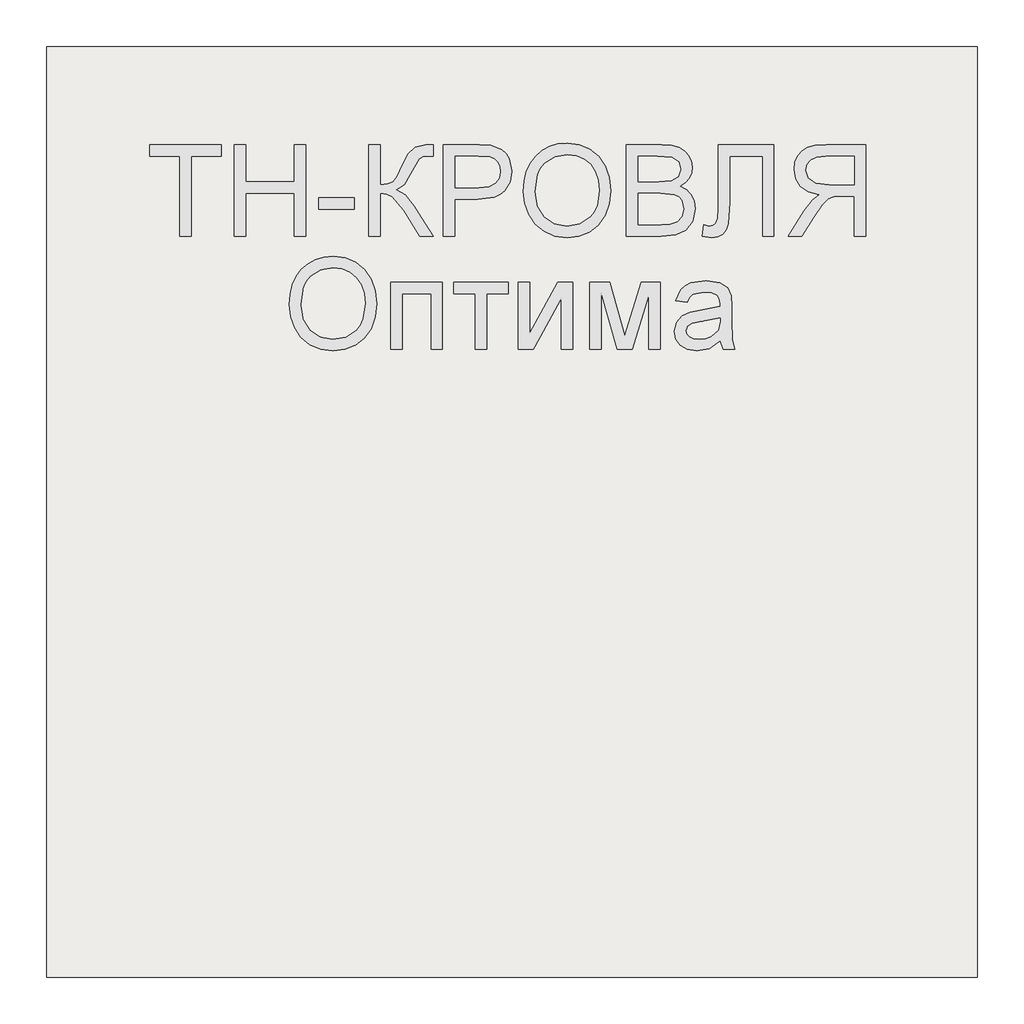
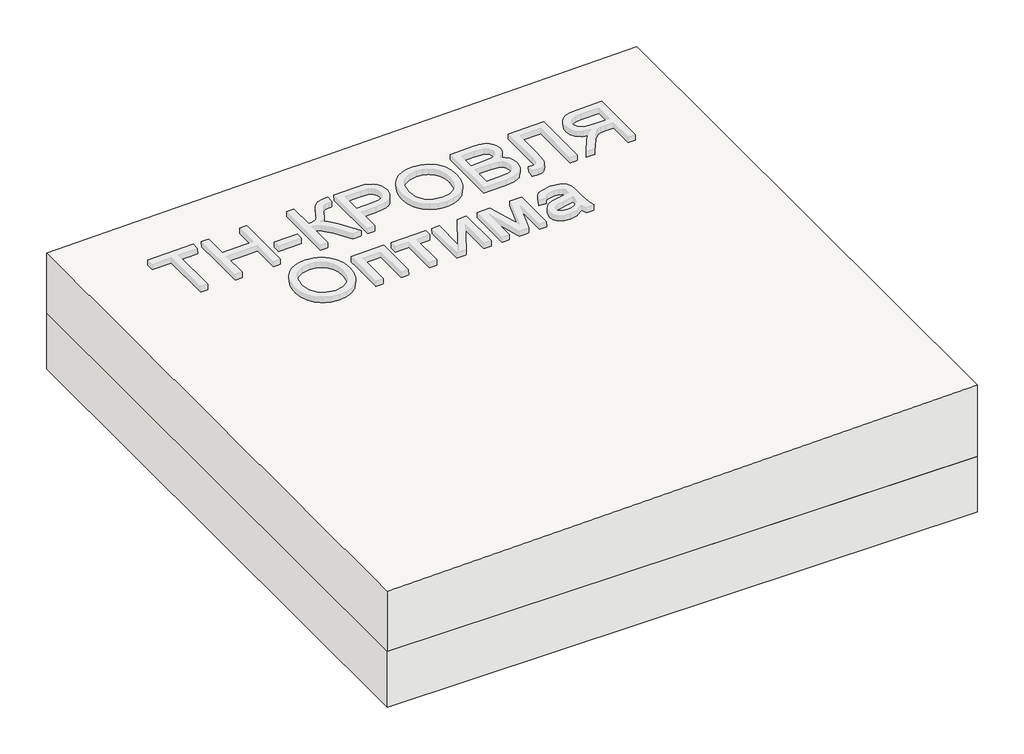
# One storey, part 1 of 3: 1 roof, 1 slab.
"""IFC4 building model written with IfcOpenShell, lengths in millimetres."""

import ifcopenshell
import ifcopenshell.guid

model = None  # the IFC model being written
_history = None  # IfcOwnerHistory: only IFC2X3 demands one
_inside = {}  # id of a spatial element -> (the spatial element, [elements in it])
_under = {}  # id of a project, library or spatial element -> (it, [spatial elements below it])
_declared = {}  # id of a project -> (the project, [libraries it declares])
_typed = {}  # id of a type object -> (the type object, [elements of that type])
_made_of = {}  # id of a material, layer set ... -> (it, [elements and type objects made of it])


def new_model(schema):
    """Start an empty IFC model of exactly this schema.

    Asked for "IFC4X3", IfcOpenShell would pick the latest addendum, in which some entities
    have other attributes; the version numbers below select the first issue.
    IFC2X3 requires an IfcOwnerHistory on every rooted entity: one is made here for all.
    """
    global model, _history
    if schema == "IFC4X3":
        model = ifcopenshell.file(schema_version=(4, 3, 0, 0))
    else:
        model = ifcopenshell.file(schema=schema)
    _inside.clear()
    _under.clear()
    _declared.clear()
    _typed.clear()
    _made_of.clear()
    _history = None
    if model.schema == "IFC2X3":
        org = make("IfcOrganization", Name="unknown")
        user = make(
            "IfcPersonAndOrganization",
            ThePerson=make("IfcPerson", FamilyName="unknown"),
            TheOrganization=org,
        )
        app = make(
            "IfcApplication",
            ApplicationDeveloper=org,
            Version="unknown",
            ApplicationFullName="unknown",
            ApplicationIdentifier="unknown",
        )
        _history = make(
            "IfcOwnerHistory",
            OwningUser=user,
            OwningApplication=app,
            ChangeAction="ADDED",
            CreationDate=0,
        )
    return model


def make(cls, **values):
    """One entity of the class cls with the attributes given. An attribute that is None is left unset."""
    return model.create_entity(
        cls, **{name: value for name, value in values.items() if value is not None}
    )


def rooted(cls, **values):
    """An entity with a GlobalId (a new one), such as an element, a storey or a relation."""
    return make(cls, GlobalId=ifcopenshell.guid.new(), OwnerHistory=_history, **values)


def si_unit(unit_type, name, prefix=None):
    """IfcSIUnit, for example si_unit("LENGTHUNIT", "METRE", prefix="MILLI")."""
    return make("IfcSIUnit", UnitType=unit_type, Prefix=prefix, Name=name)


def assignment(units):
    """IfcUnitAssignment: the units of a project."""
    return None if units is None else make("IfcUnitAssignment", Units=units)


def point(xyz):
    """IfcCartesianPoint."""
    return None if xyz is None else make("IfcCartesianPoint", Coordinates=xyz)


def direction(xyz):
    """IfcDirection."""
    return None if xyz is None else make("IfcDirection", DirectionRatios=xyz)


def frame(location, z_axis=None, x_axis=None):
    """IfcAxis2Placement3D, a coordinate frame: its origin and axes. An axis left out is left unset."""
    return make(
        "IfcAxis2Placement3D",
        Location=point(location),
        Axis=direction(z_axis),
        RefDirection=direction(x_axis),
    )


def origin():
    """The frame at (0, 0, 0) with its axes left unset."""
    return frame((0.0, 0.0, 0.0))


def place(relative_to, where):
    """IfcLocalPlacement: puts the frame where relative to a parent placement (None: the world)."""
    return make(
        "IfcLocalPlacement", PlacementRelTo=relative_to, RelativePlacement=where
    )


def context(
    kind, dimensions, precision=None, world=None, true_north=None, identifier=None
):
    """IfcGeometricRepresentationContext, for example the 3D "Model" context."""
    return make(
        "IfcGeometricRepresentationContext",
        ContextIdentifier=identifier,
        ContextType=kind,
        CoordinateSpaceDimension=dimensions,
        Precision=precision,
        WorldCoordinateSystem=world,
        TrueNorth=true_north,
    )


def project(units=None, contexts=None):
    """IfcProject with its units and contexts."""
    return rooted(
        "IfcProject",
        Name="project",
        RepresentationContexts=contexts,
        UnitsInContext=assignment(units),
    )


def spatial(cls, under=None, at=None, **own):
    """A site, building, storey or space (cls), placed at a placement, below another one or the project."""
    s = rooted(cls, ObjectPlacement=at, **own)
    if under is not None:
        _under.setdefault(under.id(), (under, []))[1].append(s)
    return s


def polyline(points):
    """IfcPolyline through the points."""
    return make("IfcPolyline", Points=[point(p) for p in points])


def outline(outer, holes=None, kind="AREA"):
    """IfcArbitraryClosedProfileDef: a profile drawn as a closed curve; with holes, ...WithVoids."""
    if holes is None:
        return make("IfcArbitraryClosedProfileDef", ProfileType=kind, OuterCurve=outer)
    return make(
        "IfcArbitraryProfileDefWithVoids",
        ProfileType=kind,
        OuterCurve=outer,
        InnerCurves=holes,
    )


def extrude(swept, where, along, depth):
    """IfcExtrudedAreaSolid: the profile swept, set in the frame where, extruded along a direction by depth."""
    return make(
        "IfcExtrudedAreaSolid",
        SweptArea=swept,
        Position=where,
        ExtrudedDirection=direction(along),
        Depth=depth,
    )


def shape(context_of_items, identifier, shape_type, items):
    """IfcShapeRepresentation: the items that make up one representation, for example the "Body"."""
    return make(
        "IfcShapeRepresentation",
        ContextOfItems=context_of_items,
        RepresentationIdentifier=identifier,
        RepresentationType=shape_type,
        Items=items,
    )


def made_of(thing, what):
    """Note that an element or type object is made of a material, layer set ...; save() writes the relation."""
    if what is not None:
        _made_of.setdefault(what.id(), (what, []))[1].append(thing)
    return thing


def element(
    cls,
    number,
    at=None,
    inside=None,
    cuts=None,
    type_object=None,
    material=None,
    context=None,
    identifier="Body",
    shape_type=None,
    held_by="IfcProductDefinitionShape",
    body=None,
    shapes=None,
    **own,
):
    """One element of the class cls, such as IfcWall. Its Tag is "e" and its number.

    at: its placement. inside: the storey or other place that contains it. cuts: it is an
    opening in that element (IfcRelVoidsElement). A single representation is given by context,
    identifier, shape_type and body (its items); several are given by shapes. held_by: the class
    of the entity that holds the representations. save() writes the other relations.
    """
    e = rooted(cls, Tag="e%d" % number, ObjectPlacement=at, **own)
    if body is not None:
        shapes = [shape(context, identifier, shape_type, body)]
    if shapes is not None:
        e.Representation = make(held_by, Representations=shapes)
    if inside is not None:
        _inside.setdefault(inside.id(), (inside, []))[1].append(e)
    if cuts is not None:
        rooted(
            "IfcRelVoidsElement", RelatingBuildingElement=cuts, RelatedOpeningElement=e
        )
    if type_object is not None:
        _typed.setdefault(type_object.id(), (type_object, []))[1].append(e)
    return made_of(e, material)


def aggregate(whole, parts):
    """IfcRelAggregates: a whole, such as a stair, and the parts it consists of."""
    return rooted("IfcRelAggregates", RelatingObject=whole, RelatedObjects=parts)


def save(model, path):
    """Write the relations noted so far, then the file.

    IfcRelAggregates (storeys below a building ...), IfcRelContainedInSpatialStructure (elements
    in a storey), IfcRelDefinesByType, IfcRelAssociatesMaterial and IfcRelDeclares: one each for
    every whole, place, type object, material and project.
    """
    for whole, parts in _under.values():
        aggregate(whole, parts)
    for where, things in _inside.values():
        rooted(
            "IfcRelContainedInSpatialStructure",
            RelatedElements=things,
            RelatingStructure=where,
        )
    for kind, things in _typed.values():
        rooted("IfcRelDefinesByType", RelatedObjects=things, RelatingType=kind)
    for what, things in _made_of.values():
        rooted("IfcRelAssociatesMaterial", RelatedObjects=things, RelatingMaterial=what)
    for by, libraries in _declared.values():
        rooted("IfcRelDeclares", RelatingContext=by, RelatedDefinitions=libraries)
    model.write(path)


model = new_model("IFC4")

# Units and contexts
model_context = context("Model", 3, world=origin())
ifc_project = project(units=[si_unit("LENGTHUNIT", "METRE", prefix="MILLI")], contexts=[model_context])

# Site, building, storey
site = spatial("IfcSite", under=ifc_project)
building = spatial("IfcBuilding", under=site)
storey = spatial("IfcBuildingStorey", under=building, Elevation=0.0)

# Roof
placement = place(None, origin())
element("IfcRoof", 1, at=placement, inside=storey, context=model_context, shape_type="SweptSolid", body=[
    extrude(outline(polyline([(216.0, 54706.3955952), (0.0, 54706.3955952), (0.0, 56706.3955952), (256.0, 56706.3955952), (216.0, 54706.3955952)])), frame((0.0, -6302.6148653, 0.0), z_axis=(0.0, 1.0, 0.0), x_axis=(0.0, 0.0, 1.0)), (0.0, 0.0, 1.0), 2000.0),
])

# Slab
element("IfcSlab", 2, at=placement, inside=storey, context=model_context, shape_type="SweptSolid", body=[
    extrude(outline(polyline([(56706.3955952, -6302.6148653), (54706.3955952, -6302.6148653), (54706.3955952, -4302.6148653), (56706.3955952, -4302.6148653), (56706.3955952, -6302.6148653)])), frame((0.0, 0.0, -200.0), z_axis=(0.0, 0.0, 1.0), x_axis=(1.0, 0.0, 0.0)), (0.0, 0.0, 1.0), 200.0),
])

save(model, "model.ifc")
